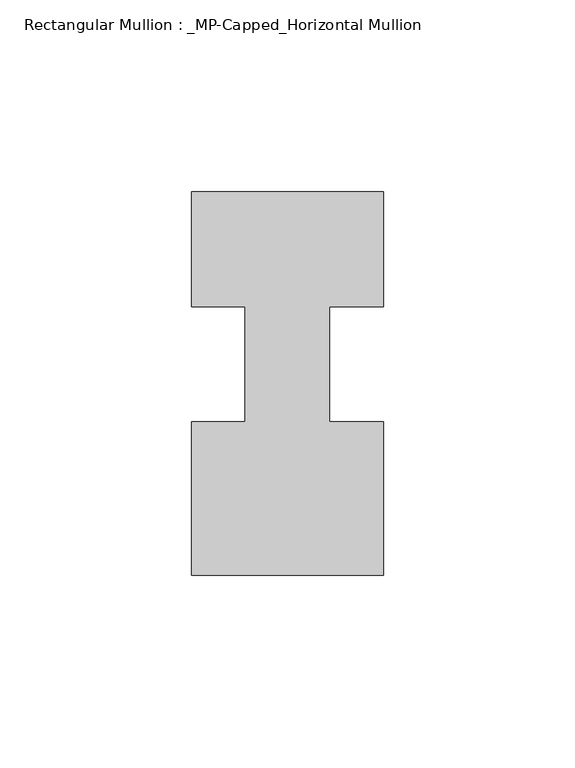
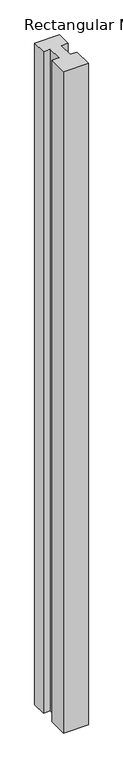
"""IFC4 building model written with IfcOpenShell, lengths in millimetres: member geometry, Rectangular Mullion : _MP-Capped_Horizontal Mullion."""

import ifcopenshell
import ifcopenshell.guid

model = None  # the IFC model being written
_history = None  # IfcOwnerHistory: only IFC2X3 demands one
_inside = {}  # id of a spatial element -> (the spatial element, [elements in it])
_under = {}  # id of a project, library or spatial element -> (it, [spatial elements below it])
_declared = {}  # id of a project -> (the project, [libraries it declares])
_typed = {}  # id of a type object -> (the type object, [elements of that type])
_made_of = {}  # id of a material, layer set ... -> (it, [elements and type objects made of it])


def new_model(schema):
    """Start an empty IFC model of exactly this schema.

    Asked for "IFC4X3", IfcOpenShell would pick the latest addendum, in which some entities
    have other attributes; the version numbers below select the first issue.
    IFC2X3 requires an IfcOwnerHistory on every rooted entity: one is made here for all.
    """
    global model, _history
    if schema == "IFC4X3":
        model = ifcopenshell.file(schema_version=(4, 3, 0, 0))
    else:
        model = ifcopenshell.file(schema=schema)
    _inside.clear()
    _under.clear()
    _declared.clear()
    _typed.clear()
    _made_of.clear()
    _history = None
    if model.schema == "IFC2X3":
        org = make("IfcOrganization", Name="unknown")
        user = make(
            "IfcPersonAndOrganization",
            ThePerson=make("IfcPerson", FamilyName="unknown"),
            TheOrganization=org,
        )
        app = make(
            "IfcApplication",
            ApplicationDeveloper=org,
            Version="unknown",
            ApplicationFullName="unknown",
            ApplicationIdentifier="unknown",
        )
        _history = make(
            "IfcOwnerHistory",
            OwningUser=user,
            OwningApplication=app,
            ChangeAction="ADDED",
            CreationDate=0,
        )
    return model


def make(cls, **values):
    """One entity of the class cls with the attributes given. An attribute that is None is left unset."""
    return model.create_entity(
        cls, **{name: value for name, value in values.items() if value is not None}
    )


def rooted(cls, **values):
    """An entity with a GlobalId (a new one), such as an element, a storey or a relation."""
    return make(cls, GlobalId=ifcopenshell.guid.new(), OwnerHistory=_history, **values)


def si_unit(unit_type, name, prefix=None):
    """IfcSIUnit, for example si_unit("LENGTHUNIT", "METRE", prefix="MILLI")."""
    return make("IfcSIUnit", UnitType=unit_type, Prefix=prefix, Name=name)


def assignment(units):
    """IfcUnitAssignment: the units of a project."""
    return None if units is None else make("IfcUnitAssignment", Units=units)


def point(xyz):
    """IfcCartesianPoint."""
    return None if xyz is None else make("IfcCartesianPoint", Coordinates=xyz)


def direction(xyz):
    """IfcDirection."""
    return None if xyz is None else make("IfcDirection", DirectionRatios=xyz)


def frame(location, z_axis=None, x_axis=None):
    """IfcAxis2Placement3D, a coordinate frame: its origin and axes. An axis left out is left unset."""
    return make(
        "IfcAxis2Placement3D",
        Location=point(location),
        Axis=direction(z_axis),
        RefDirection=direction(x_axis),
    )


def origin():
    """The frame at (0, 0, 0) with its axes left unset."""
    return frame((0.0, 0.0, 0.0))


def place(relative_to, where):
    """IfcLocalPlacement: puts the frame where relative to a parent placement (None: the world)."""
    return make(
        "IfcLocalPlacement", PlacementRelTo=relative_to, RelativePlacement=where
    )


def context(
    kind, dimensions, precision=None, world=None, true_north=None, identifier=None
):
    """IfcGeometricRepresentationContext, for example the 3D "Model" context."""
    return make(
        "IfcGeometricRepresentationContext",
        ContextIdentifier=identifier,
        ContextType=kind,
        CoordinateSpaceDimension=dimensions,
        Precision=precision,
        WorldCoordinateSystem=world,
        TrueNorth=true_north,
    )


def project(units=None, contexts=None):
    """IfcProject with its units and contexts."""
    return rooted(
        "IfcProject",
        Name="project",
        RepresentationContexts=contexts,
        UnitsInContext=assignment(units),
    )


def spatial(cls, under=None, at=None, **own):
    """A site, building, storey or space (cls), placed at a placement, below another one or the project."""
    s = rooted(cls, ObjectPlacement=at, **own)
    if under is not None:
        _under.setdefault(under.id(), (under, []))[1].append(s)
    return s


def polyline(points):
    """IfcPolyline through the points."""
    return make("IfcPolyline", Points=[point(p) for p in points])


def outline(outer, holes=None, kind="AREA"):
    """IfcArbitraryClosedProfileDef: a profile drawn as a closed curve; with holes, ...WithVoids."""
    if holes is None:
        return make("IfcArbitraryClosedProfileDef", ProfileType=kind, OuterCurve=outer)
    return make(
        "IfcArbitraryProfileDefWithVoids",
        ProfileType=kind,
        OuterCurve=outer,
        InnerCurves=holes,
    )


def extrude(swept, where, along, depth):
    """IfcExtrudedAreaSolid: the profile swept, set in the frame where, extruded along a direction by depth."""
    return make(
        "IfcExtrudedAreaSolid",
        SweptArea=swept,
        Position=where,
        ExtrudedDirection=direction(along),
        Depth=depth,
    )


def shape(context_of_items, identifier, shape_type, items):
    """IfcShapeRepresentation: the items that make up one representation, for example the "Body"."""
    return make(
        "IfcShapeRepresentation",
        ContextOfItems=context_of_items,
        RepresentationIdentifier=identifier,
        RepresentationType=shape_type,
        Items=items,
    )


def source(mapping_origin, context_of_items, identifier, shape_type, items):
    """IfcRepresentationMap: a shape defined once, which mapped items show again and again."""
    return make(
        "IfcRepresentationMap",
        MappingOrigin=mapping_origin,
        MappedRepresentation=shape(context_of_items, identifier, shape_type, items),
    )


def transform(
    local_origin,
    x_axis=None,
    y_axis=None,
    z_axis=None,
    scale=None,
    scale2=None,
    scale3=None,
    uniform=True,
):
    """IfcCartesianTransformationOperator3D, or its non-uniform kind. x_axis, y_axis, z_axis: its Axis1, 2, 3."""
    if uniform:
        return make(
            "IfcCartesianTransformationOperator3D",
            Axis1=direction(x_axis),
            Axis2=direction(y_axis),
            LocalOrigin=point(local_origin),
            Scale=scale,
            Axis3=direction(z_axis),
        )
    return make(
        "IfcCartesianTransformationOperator3DnonUniform",
        Axis1=direction(x_axis),
        Axis2=direction(y_axis),
        LocalOrigin=point(local_origin),
        Scale=scale,
        Axis3=direction(z_axis),
        Scale2=scale2,
        Scale3=scale3,
    )


def mapped(mapping_source, mapping_target):
    """IfcMappedItem: shows the shape of a source again, moved by a transform."""
    return make(
        "IfcMappedItem", MappingSource=mapping_source, MappingTarget=mapping_target
    )


def made_of(thing, what):
    """Note that an element or type object is made of a material, layer set ...; save() writes the relation."""
    if what is not None:
        _made_of.setdefault(what.id(), (what, []))[1].append(thing)
    return thing


def element(
    cls,
    number,
    at=None,
    inside=None,
    cuts=None,
    type_object=None,
    material=None,
    context=None,
    identifier="Body",
    shape_type=None,
    held_by="IfcProductDefinitionShape",
    body=None,
    shapes=None,
    **own,
):
    """One element of the class cls, such as IfcWall. Its Tag is "e" and its number.

    at: its placement. inside: the storey or other place that contains it. cuts: it is an
    opening in that element (IfcRelVoidsElement). A single representation is given by context,
    identifier, shape_type and body (its items); several are given by shapes. held_by: the class
    of the entity that holds the representations. save() writes the other relations.
    """
    e = rooted(cls, Tag="e%d" % number, ObjectPlacement=at, **own)
    if body is not None:
        shapes = [shape(context, identifier, shape_type, body)]
    if shapes is not None:
        e.Representation = make(held_by, Representations=shapes)
    if inside is not None:
        _inside.setdefault(inside.id(), (inside, []))[1].append(e)
    if cuts is not None:
        rooted(
            "IfcRelVoidsElement", RelatingBuildingElement=cuts, RelatedOpeningElement=e
        )
    if type_object is not None:
        _typed.setdefault(type_object.id(), (type_object, []))[1].append(e)
    return made_of(e, material)


def aggregate(whole, parts):
    """IfcRelAggregates: a whole, such as a stair, and the parts it consists of."""
    return rooted("IfcRelAggregates", RelatingObject=whole, RelatedObjects=parts)


def save(model, path):
    """Write the relations noted so far, then the file.

    IfcRelAggregates (storeys below a building ...), IfcRelContainedInSpatialStructure (elements
    in a storey), IfcRelDefinesByType, IfcRelAssociatesMaterial and IfcRelDeclares: one each for
    every whole, place, type object, material and project.
    """
    for whole, parts in _under.values():
        aggregate(whole, parts)
    for where, things in _inside.values():
        rooted(
            "IfcRelContainedInSpatialStructure",
            RelatedElements=things,
            RelatingStructure=where,
        )
    for kind, things in _typed.values():
        rooted("IfcRelDefinesByType", RelatedObjects=things, RelatingType=kind)
    for what, things in _made_of.values():
        rooted("IfcRelAssociatesMaterial", RelatedObjects=things, RelatingMaterial=what)
    for by, libraries in _declared.values():
        rooted("IfcRelDeclares", RelatingContext=by, RelatedDefinitions=libraries)
    model.write(path)


def rectangular_mullion_mp_capped_horizontal_mullion_0c8770c3(model_context):
    return source(origin(), model_context, "Body", "SweptSolid", [
        extrude(outline(polyline([(25.0, 0.0), (25.0, -30.0), (11.0, -30.0), (11.0, -60.0), (25.0, -60.0), (25.0, -100.0), (-25.0, -100.0), (-25.0, -60.0), (-11.0, -60.0), (-11.0, -30.0), (-25.0, -30.0), (-25.0, 0.0), (25.0, 0.0)])), frame((0.0, 0.0, -1405.0), z_axis=(0.0, 0.0, 1.0), x_axis=(1.0, 0.0, 0.0)), (0.0, 0.0, 1.0), 1405.0),
    ])


if __name__ == "__main__":
    model = new_model("IFC4")
    model_context = context("Model", 3, world=origin())
    ifc_project = project(units=[si_unit("LENGTHUNIT", "METRE", prefix="MILLI")], contexts=[model_context])
    site = spatial("IfcSite", under=ifc_project)
    building = spatial("IfcBuilding", under=site)
    placement = place(None, origin())
    rectangular_mullion_mp_capped_horizontal_mullion_shape = rectangular_mullion_mp_capped_horizontal_mullion_0c8770c3(model_context)
    element("IfcMember", 1, ObjectType="Rectangular Mullion : _MP-Capped_Horizontal Mullion", at=placement, inside=building, context=model_context, shape_type="MappedRepresentation", body=[
        mapped(rectangular_mullion_mp_capped_horizontal_mullion_shape, transform((0.0, 0.0, 0.0), x_axis=(1.0, 0.0, 0.0), y_axis=(0.0, 1.0, 0.0), z_axis=(0.0, 0.0, 1.0))),
    ])
    save(model, "model.ifc")
